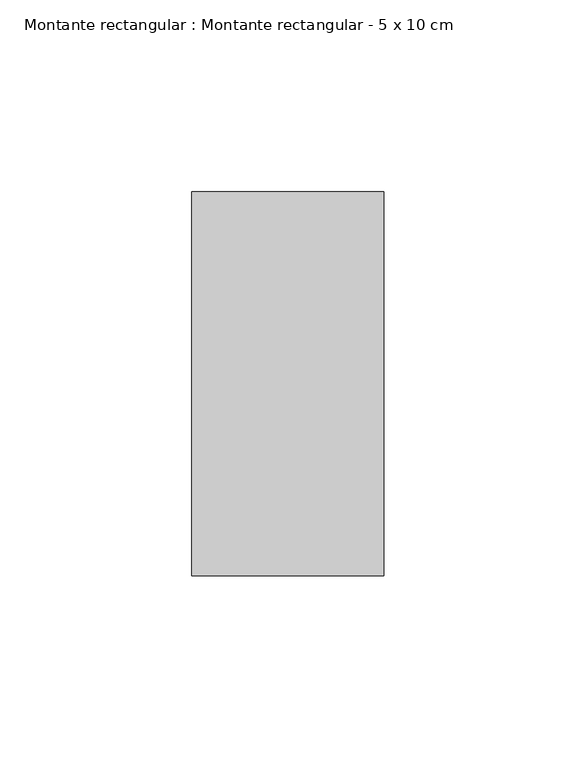
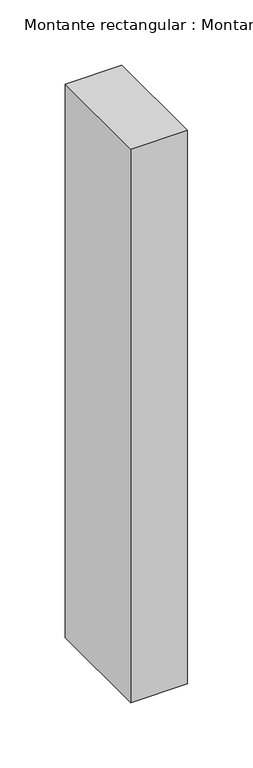
"""IFC4 building model written with IfcOpenShell, lengths in millimetres: member geometry, Montante rectangular : Montante rectangular - 5 x 10 cm."""

from ifc_helpers import new_model, si_unit, frame, origin, place, context, project, spatial, polyline, outline, extrude, source, transform, mapped, element, save


def montante_rectangular_montante_rectangular_5_x_10_cm_e0e0a666(model_context):
    return source(origin(), model_context, "Body", "SweptSolid", [
        extrude(outline(polyline([(25.0, 50.0), (25.0, -50.0), (-25.0, -50.0), (-25.0, 50.0), (25.0, 50.0)])), frame((0.0, 0.0, -517.0), z_axis=(0.0, 0.0, 1.0), x_axis=(1.0, 0.0, 0.0)), (0.0, 0.0, 1.0), 517.0),
    ])


if __name__ == "__main__":
    model = new_model("IFC4")
    model_context = context("Model", 3, world=origin())
    ifc_project = project(units=[si_unit("LENGTHUNIT", "METRE", prefix="MILLI")], contexts=[model_context])
    site = spatial("IfcSite", under=ifc_project)
    building = spatial("IfcBuilding", under=site)
    placement = place(None, origin())
    montante_rectangular_montante_rectangular_5_x_10_cm_shape = montante_rectangular_montante_rectangular_5_x_10_cm_e0e0a666(model_context)
    element("IfcMember", 1, ObjectType="Montante rectangular : Montante rectangular - 5 x 10 cm", at=placement, inside=building, context=model_context, shape_type="MappedRepresentation", body=[
        mapped(montante_rectangular_montante_rectangular_5_x_10_cm_shape, transform((0.0, 0.0, 0.0), x_axis=(1.0, 0.0, 0.0), y_axis=(0.0, 1.0, 0.0), z_axis=(0.0, 0.0, 1.0))),
    ])
    save(model, "model.ifc")
